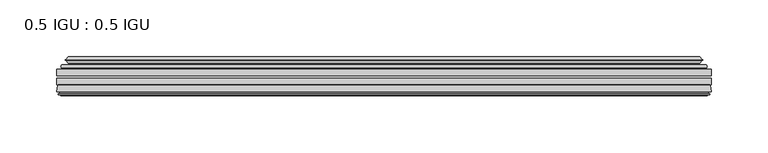
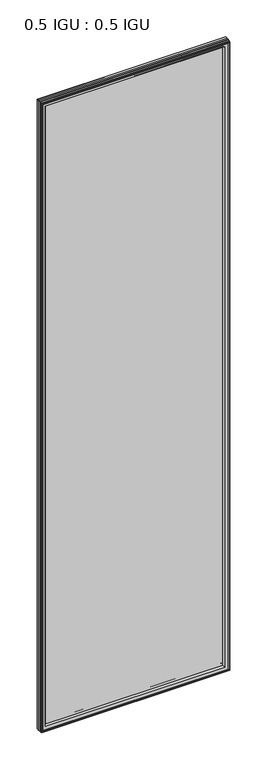
"""IFC4 building model written with IfcOpenShell, lengths in millimetres: plate geometry, 0.5 IGU : 0.5 IGU."""

from ifc_helpers import new_model, si_unit, frame, origin, place, context, project, spatial, polyline, ellipse_curve, outline, extrude, source, transform, mapped, element, save
from ifc_brep_helpers import plane_surface, cylinder_surface, revolved_surface, advanced_brep


def plate_0_5_igu_0_5_igu_9a98f854(model_context):
    return source(origin(), model_context, "Body", "SolidModel", [
        extrude(outline(polyline([(287.351675, -55.82285), (287.351675, -61.48705), (-287.3375, -61.48705), (-287.3375, -55.82285), (287.351675, -55.82285)])), frame((0.0, 0.0, -14.2875), z_axis=(0.0, 0.0, 1.0), x_axis=(1.0, 0.0, 0.0)), (0.0, 0.0, 1.0), 2025.6537979),
        extrude(outline(polyline([(-287.3375, -69.05625), (-287.3375, -63.39205), (287.351675, -63.39205), (287.351675, -69.05625), (-287.3375, -69.05625)])), frame((0.0, 0.0, -14.2875), z_axis=(0.0, 0.0, 1.0), x_axis=(1.0, 0.0, 0.0)), (0.0, 0.0, 1.0), 2025.6537979),
        advanced_brep(
        [(-283.2349626, -54.3724927, 2007.2599626), (-282.1904378, -51.60645, 2006.2154378), (-282.1904378, -51.60645, -9.1404378), (-283.2349626, -54.3724927, -10.1849626), (-281.598517, -55.82285, 2005.623517), (-281.598517, -55.82285, -8.548517), (-273.05, -45.63745, 1997.075), (-269.4672761, -55.82285, 1993.4922761), (-269.4672761, -55.82285, 3.5827239), (-273.05, -45.63745, 0.0), (-278.2359109, -46.8185491, 2002.2609109), (-278.2359109, -46.8185491, -5.1859109), (-277.4388893, -44.8183085, 2001.4638893), (-277.4388893, -44.8183085, -4.3888893), (-279.7226111, -47.135817, 2003.7476111), (-279.7226111, -47.135817, -6.6726111), (-279.7226111, -47.8489429, 2003.7476111), (-279.7226111, -47.8489429, -6.6726111), (-277.4388893, -50.1664515, 2001.4638893), (-277.4388893, -50.1664515, -4.3888893), (-278.2282501, -48.1854367, 2002.2532501), (-278.2282501, -48.1854367, -5.1782501), (-275.7044379, -48.027045, 1999.7294379), (-275.7044379, -48.027045, -2.6544379), (-274.6786217, -48.7147544, 1998.7036217), (-274.6786217, -48.7147544, -1.6286217), (-274.7970288, -50.1092231, 1998.8220288), (-274.7970288, -50.1092231, -1.7470288), (-275.3987748, -51.60645, 1999.4237748), (-275.3987748, -51.60645, -2.3487748), (282.1904378, -51.60645, -9.1404378), (283.2349626, -54.3724927, -10.1849626), (281.598517, -55.82285, -8.548517), (269.4672761, -55.82285, 3.5827239), (273.05, -45.63745, 0.0), (278.2359109, -46.8185491, -5.1859109), (277.4388893, -44.8183085, -4.3888893), (279.7226111, -47.135817, -6.6726111), (279.7226111, -47.8489429, -6.6726111), (277.4388893, -50.1664515, -4.3888893), (278.2282501, -48.1854367, -5.1782501), (275.7044379, -48.027045, -2.6544379), (274.6786217, -48.7147544, -1.6286217), (274.7970288, -50.1092231, -1.7470288), (275.3987748, -51.60645, -2.3487748), (282.1904378, -51.60645, 2006.2154378), (283.2349626, -54.3724927, 2007.2599626), (281.598517, -55.82285, 2005.623517), (269.4672761, -55.82285, 1993.4922761), (273.05, -45.63745, 1997.075), (278.2359109, -46.8185491, 2002.2609109), (277.4388893, -44.8183085, 2001.4638893), (279.7226111, -47.135817, 2003.7476111), (279.7226111, -47.8489429, 2003.7476111), (277.4388893, -50.1664515, 2001.4638893), (278.2282501, -48.1854367, 2002.2532501), (275.7044379, -48.027045, 1999.7294379), (274.6786217, -48.7147544, 1998.7036217), (274.7970288, -50.1092231, 1998.8220288), (275.3987748, -51.60645, 1999.4237748)],
        [
            (0, 1, ellipse_curve(frame((-282.1820703, -53.1898501, 2006.2070703), z_axis=(-0.7071067811865475, 0.0, -0.7071067811865475), x_axis=(-0.7071067811865474, 0.0, 0.7071067811865476)), 2.2392971, 1.5834222)),
            (1, 2),
            (2, 3, ellipse_curve(frame((-282.1820703, -53.1898501, -9.1320703), z_axis=(-0.7071067811865475, 0.0, 0.7071067811865475), x_axis=(0.7071067811865474, 0.0, 0.7071067811865476)), 2.2392971, 1.5834222)),
            (3, 0),
            (4, 0),
            (3, 5),
            (5, 4),
            (6, 7, ellipse_curve(frame((-240.770246, -40.0058297, 1964.795246), z_axis=(0.7071067811865475, 0.0, 0.7071067811865475), x_axis=(0.7071067811865474, 0.0, -0.7071067811865476)), 46.3399971, 32.7673262)),
            (7, 8),
            (8, 9, ellipse_curve(frame((-240.770246, -40.0058297, 32.279754), z_axis=(0.7071067811865475, 0.0, -0.7071067811865475), x_axis=(-0.7071067811865474, 0.0, -0.7071067811865476)), 46.3399971, 32.7673262)),
            (9, 6),
            (10, 6),
            (9, 11),
            (11, 10),
            (12, 10),
            (11, 13),
            (13, 12),
            (14, 12),
            (13, 15),
            (15, 14),
            (16, 14, ellipse_curve(frame((-279.3607729, -47.49238, 2003.3857729), z_axis=(-0.7071067811865475, 0.0, -0.7071067811865475), x_axis=(-0.7071067811865474, 0.0, 0.7071067811865476)), 0.7184205, 0.508)),
            (15, 17, ellipse_curve(frame((-279.3607729, -47.49238, -6.3107729), z_axis=(-0.7071067811865475, 0.0, 0.7071067811865475), x_axis=(0.7071067811865474, 0.0, 0.7071067811865476)), 0.7184205, 0.508)),
            (17, 16),
            (18, 16),
            (17, 19),
            (19, 18),
            (20, 18),
            (19, 21),
            (21, 20),
            (22, 20),
            (21, 23),
            (23, 22),
            (24, 22, ellipse_curve(frame((-275.6408, -49.04105, 1999.6658), z_axis=(0.7071067811865475, 0.0, 0.7071067811865475), x_axis=(0.7071067811865474, 0.0, -0.7071067811865476)), 1.436841, 1.016)),
            (23, 25, ellipse_curve(frame((-275.6408, -49.04105, -2.5908), z_axis=(0.7071067811865475, 0.0, -0.7071067811865475), x_axis=(-0.7071067811865474, 0.0, -0.7071067811865476)), 1.436841, 1.016)),
            (25, 24),
            (26, 24, ellipse_curve(frame((-277.0124, -49.21885, 2001.0374), z_axis=(0.7071067811865475, 0.0, 0.7071067811865475), x_axis=(0.7071067811865474, 0.0, -0.7071067811865476)), 3.3765763, 2.3876)),
            (25, 27, ellipse_curve(frame((-277.0124, -49.21885, -3.9624), z_axis=(0.7071067811865475, 0.0, -0.7071067811865475), x_axis=(-0.7071067811865474, 0.0, -0.7071067811865476)), 3.3765763, 2.3876)),
            (27, 26),
            (28, 26),
            (27, 29),
            (29, 28),
            (2, 30),
            (30, 31, ellipse_curve(frame((282.1820703, -53.1898501, -9.1320703), z_axis=(-0.7071067811865475, 0.0, -0.7071067811865475), x_axis=(-0.7071067811865476, 0.0, 0.7071067811865474)), 2.2392971, 1.5834222)),
            (31, 3),
            (31, 32),
            (32, 5),
            (8, 33),
            (33, 34, ellipse_curve(frame((240.770246, -40.0058297, 32.279754), z_axis=(0.7071067811865475, 0.0, 0.7071067811865475), x_axis=(0.7071067811865476, 0.0, -0.7071067811865474)), 46.3399971, 32.7673262)),
            (34, 9),
            (34, 35),
            (35, 11),
            (35, 36),
            (36, 13),
            (36, 37),
            (37, 15),
            (37, 38, ellipse_curve(frame((279.3607729, -47.49238, -6.3107729), z_axis=(-0.7071067811865475, 0.0, -0.7071067811865475), x_axis=(-0.7071067811865476, 0.0, 0.7071067811865474)), 0.7184205, 0.508)),
            (38, 17),
            (38, 39),
            (39, 19),
            (39, 40),
            (40, 21),
            (40, 41),
            (41, 23),
            (41, 42, ellipse_curve(frame((275.6408, -49.04105, -2.5908), z_axis=(0.7071067811865475, 0.0, 0.7071067811865475), x_axis=(0.7071067811865476, 0.0, -0.7071067811865474)), 1.436841, 1.016)),
            (42, 25),
            (42, 43, ellipse_curve(frame((277.0124, -49.21885, -3.9624), z_axis=(0.7071067811865475, 0.0, 0.7071067811865475), x_axis=(0.7071067811865476, 0.0, -0.7071067811865474)), 3.3765763, 2.3876)),
            (43, 27),
            (43, 44),
            (44, 29),
            (30, 45),
            (45, 46, ellipse_curve(frame((282.1820703, -53.1898501, 2006.2070703), z_axis=(0.7071067811865475, 0.0, -0.7071067811865475), x_axis=(-0.7071067811865474, 0.0, -0.7071067811865476)), 2.2392971, 1.5834222)),
            (46, 31),
            (46, 47),
            (47, 32),
            (33, 48),
            (48, 49, ellipse_curve(frame((240.770246, -40.0058297, 1964.795246), z_axis=(-0.7071067811865475, 0.0, 0.7071067811865475), x_axis=(0.7071067811865474, 0.0, 0.7071067811865476)), 46.3399971, 32.7673262)),
            (49, 34),
            (49, 50),
            (50, 35),
            (50, 51),
            (51, 36),
            (51, 52),
            (52, 37),
            (52, 53, ellipse_curve(frame((279.3607729, -47.49238, 2003.3857729), z_axis=(0.7071067811865475, 0.0, -0.7071067811865475), x_axis=(-0.7071067811865474, 0.0, -0.7071067811865476)), 0.7184205, 0.508)),
            (53, 38),
            (53, 54),
            (54, 39),
            (54, 55),
            (55, 40),
            (55, 56),
            (56, 41),
            (56, 57, ellipse_curve(frame((275.6408, -49.04105, 1999.6658), z_axis=(-0.7071067811865475, 0.0, 0.7071067811865475), x_axis=(0.7071067811865474, 0.0, 0.7071067811865476)), 1.436841, 1.016)),
            (57, 42),
            (57, 58, ellipse_curve(frame((277.0124, -49.21885, 2001.0374), z_axis=(-0.7071067811865475, 0.0, 0.7071067811865475), x_axis=(0.7071067811865474, 0.0, 0.7071067811865476)), 3.3765763, 2.3876)),
            (58, 43),
            (58, 59),
            (59, 44),
            (45, 1),
            (0, 46),
            (4, 47),
            (7, 48),
            (6, 49),
            (10, 50),
            (12, 51),
            (14, 52),
            (16, 53),
            (18, 54),
            (20, 55),
            (22, 56),
            (24, 57),
            (26, 58),
            (28, 59),
        ],
        [
            cylinder_surface(frame((-282.1820703, -53.1898501, 2028.825), z_axis=(0.0, 0.0, 1.0), x_axis=(-1.0, 0.0, 0.0)), 1.5834222),
            plane_surface(frame((-283.2349626, -54.3724927, 2007.2599626), z_axis=(-0.6632745773184306, -0.7483761320907135, 0.0), x_axis=(0.0, 0.0, -1.0))),
            revolved_surface(polyline([(-273.5375722, -40.0058297, -0.48757218957507575), (-273.5375722, -40.0058297, 1997.562572189575)]), (-240.770246, -40.0058297, 2028.825), (0.0, 0.0, -1.0)),
            plane_surface(frame((-273.05, -45.63745, 1997.075), z_axis=(-0.2220649844278743, 0.975031867525902, 0.0), x_axis=(0.0, 0.0, -1.0))),
            plane_surface(frame((-278.2359109, -46.8185491, 2002.2609109), z_axis=(0.9289682685630282, -0.370159365683228, 0.0), x_axis=(0.0, 0.0, -1.0))),
            plane_surface(frame((-277.4388893, -44.8183085, 2001.4638893), z_axis=(-0.7122798501733507, 0.7018955869907071, 0.0), x_axis=(0.0, 0.0, -1.0))),
            cylinder_surface(frame((-279.3607729, -47.49238, 2028.825), z_axis=(0.0, 0.0, 1.0), x_axis=(-1.0, 0.0, 0.0)), 0.508),
            plane_surface(frame((-279.7226111, -47.8489429, 2003.7476111), z_axis=(-0.7122798501732925, -0.701895586990766, 0.0), x_axis=(0.0, 0.0, -1.0))),
            plane_surface(frame((-277.4388893, -50.1664515, 2001.4638893), z_axis=(0.9289682685628707, 0.3701593656836228, 0.0), x_axis=(0.0, 0.0, -1.0))),
            plane_surface(frame((-278.2282501, -48.1854367, 2002.2532501), z_axis=(0.0626357011928498, -0.9980364567169279, 0.0), x_axis=(0.0, 0.0, -1.0))),
            revolved_surface(polyline([(-276.65680000000003, -49.04105, -3.6068000145867245), (-276.65680000000003, -49.04105, 2000.6818000145868)]), (-275.6408, -49.04105, 2028.825), (0.0, 0.0, -1.0)),
            revolved_surface(polyline([(-279.40000000000003, -49.21885, -6.3499999989237494), (-279.40000000000003, -49.21885, 2003.4249999989238)]), (-277.0124, -49.21885, 2028.825), (0.0, 0.0, -1.0)),
            plane_surface(frame((-274.7970288, -50.1092231, 1998.8220288), z_axis=(-0.9278652925428184, 0.3729155385532094, 0.0), x_axis=(0.0, 0.0, -1.0))),
            cylinder_surface(frame((-304.8, -53.1898501, -9.1320703), z_axis=(-1.0, 0.0, 0.0), x_axis=(0.0, 0.0, -1.0)), 1.5834222),
            plane_surface(frame((-283.2349626, -54.3724927, -10.1849626), z_axis=(0.0, -0.7483761320907157, -0.6632745773184283), x_axis=(1.0, 0.0, 0.0))),
            revolved_surface(polyline([(273.537572189575, -40.0058297, -0.48757220000000245), (-273.5375721895749, -40.0058297, -0.48757220000000245)]), (-304.8, -40.0058297, 32.279754), (1.0, 0.0, 0.0)),
            plane_surface(frame((-273.05, -45.63745, 0.0), z_axis=(0.0, 0.9750318675259013, -0.22206498442787745), x_axis=(1.0, 0.0, 0.0))),
            plane_surface(frame((-278.2359109, -46.8185491, -5.1859109), z_axis=(0.0, -0.370159365683225, 0.9289682685630294), x_axis=(1.0, 0.0, 0.0))),
            plane_surface(frame((-277.4388893, -44.8183085, -4.3888893), z_axis=(0.0, 0.7018955869907048, -0.7122798501733529), x_axis=(1.0, 0.0, 0.0))),
            cylinder_surface(frame((-304.8, -47.49238, -6.3107729), z_axis=(-1.0, 0.0, 0.0), x_axis=(0.0, 0.0, -1.0)), 0.508),
            plane_surface(frame((-279.7226111, -47.8489429, -6.6726111), z_axis=(0.0, -0.7018955869907684, -0.7122798501732903), x_axis=(1.0, 0.0, 0.0))),
            plane_surface(frame((-277.4388893, -50.1664515, -4.3888893), z_axis=(0.0, 0.37015936568362584, 0.9289682685628696), x_axis=(1.0, 0.0, 0.0))),
            plane_surface(frame((-278.2282501, -48.1854367, -5.1782501), z_axis=(0.0, -0.9980364567169276, 0.06263570119285301), x_axis=(1.0, 0.0, 0.0))),
            revolved_surface(polyline([(276.65680001458696, -49.04105, -3.6068000000000002), (-276.65680001458685, -49.04105, -3.6068000000000002)]), (-304.8, -49.04105, -2.5908), (1.0, 0.0, 0.0)),
            revolved_surface(polyline([(279.39999999892376, -49.21885, -6.35), (-279.3999999989238, -49.21885, -6.35)]), (-304.8, -49.21885, -3.9624), (1.0, 0.0, 0.0)),
            plane_surface(frame((-274.7970288, -50.1092231, -1.7470288), z_axis=(0.0, 0.3729155385532064, -0.9278652925428196), x_axis=(1.0, 0.0, 0.0))),
            cylinder_surface(frame((282.1820703, -53.1898501, -31.75), z_axis=(0.0, 0.0, -1.0), x_axis=(1.0, 0.0, 0.0)), 1.5834222),
            plane_surface(frame((283.2349626, -54.3724927, -10.1849626), z_axis=(0.6632745773184259, -0.7483761320907178, 0.0), x_axis=(0.0, 0.0, 1.0))),
            revolved_surface(polyline([(273.5375722, -40.0058297, 1997.562572189575), (273.5375722, -40.0058297, -0.48757218957494075)]), (240.770246, -40.0058297, -31.75), (0.0, 0.0, 1.0)),
            plane_surface(frame((273.05, -45.63745, 0.0), z_axis=(0.22206498442788056, 0.9750318675259005, 0.0), x_axis=(0.0, 0.0, 1.0))),
            plane_surface(frame((278.2359109, -46.8185491, -5.1859109), z_axis=(-0.9289682685630306, -0.370159365683222, 0.0), x_axis=(0.0, 0.0, 1.0))),
            plane_surface(frame((277.4388893, -44.8183085, -4.3888893), z_axis=(0.7122798501733552, 0.7018955869907024, 0.0), x_axis=(0.0, 0.0, 1.0))),
            cylinder_surface(frame((279.3607729, -47.49238, -31.75), z_axis=(0.0, 0.0, -1.0), x_axis=(1.0, 0.0, 0.0)), 0.508),
            plane_surface(frame((279.7226111, -47.8489429, -6.6726111), z_axis=(0.712279850173288, -0.7018955869907706, 0.0), x_axis=(0.0, 0.0, 1.0))),
            plane_surface(frame((277.4388893, -50.1664515, -4.3888893), z_axis=(-0.9289682685628684, 0.37015936568362884, 0.0), x_axis=(0.0, 0.0, 1.0))),
            plane_surface(frame((278.2282501, -48.1854367, -5.1782501), z_axis=(-0.06263570119285623, -0.9980364567169274, 0.0), x_axis=(0.0, 0.0, 1.0))),
            revolved_surface(polyline([(276.65680000000003, -49.04105, 2000.6818000145868), (276.65680000000003, -49.04105, -3.606800014586863)]), (275.6408, -49.04105, -31.75), (0.0, 0.0, 1.0)),
            revolved_surface(polyline([(279.40000000000003, -49.21885, 2003.4249999989238), (279.40000000000003, -49.21885, -6.349999998923781)]), (277.0124, -49.21885, -31.75), (0.0, 0.0, 1.0)),
            plane_surface(frame((274.7970288, -50.1092231, -1.7470288), z_axis=(0.9278652925428208, 0.3729155385532034, 0.0), x_axis=(0.0, 0.0, 1.0))),
            cylinder_surface(frame((304.8, -53.1898501, 2006.2070703), z_axis=(1.0, 0.0, 0.0), x_axis=(0.0, 0.0, 1.0)), 1.5834222),
            plane_surface(frame((283.2349626, -54.3724927, 2007.2599626), z_axis=(0.0, -0.7483761320907157, 0.6632745773184283), x_axis=(-1.0, 0.0, 0.0))),
            plane_surface(frame((281.598517, -55.82285, 2005.623517), z_axis=(0.0, -1.0, 0.0), x_axis=(-1.0, 0.0, 0.0))),
            revolved_surface(polyline([(-273.537572189575, -40.0058297, 1997.5625722), (273.5375721895749, -40.0058297, 1997.5625722)]), (304.8, -40.0058297, 1964.795246), (-1.0, 0.0, 0.0)),
            plane_surface(frame((273.05, -45.63745, 1997.075), z_axis=(0.0, 0.9750318675259012, 0.22206498442787742), x_axis=(-1.0, 0.0, 0.0))),
            plane_surface(frame((278.2359109, -46.8185491, 2002.2609109), z_axis=(0.0, -0.370159365683225, -0.9289682685630294), x_axis=(-1.0, 0.0, 0.0))),
            plane_surface(frame((277.4388893, -44.8183085, 2001.4638893), z_axis=(0.0, 0.7018955869907048, 0.7122798501733529), x_axis=(-1.0, 0.0, 0.0))),
            cylinder_surface(frame((304.8, -47.49238, 2003.3857729), z_axis=(1.0, 0.0, 0.0), x_axis=(0.0, 0.0, 1.0)), 0.508),
            plane_surface(frame((279.7226111, -47.8489429, 2003.7476111), z_axis=(0.0, -0.7018955869907684, 0.7122798501732903), x_axis=(-1.0, 0.0, 0.0))),
            plane_surface(frame((277.4388893, -50.1664515, 2001.4638893), z_axis=(0.0, 0.37015936568362584, -0.9289682685628696), x_axis=(-1.0, 0.0, 0.0))),
            plane_surface(frame((278.2282501, -48.1854367, 2002.2532501), z_axis=(0.0, -0.9980364567169276, -0.06263570119285301), x_axis=(-1.0, 0.0, 0.0))),
            revolved_surface(polyline([(-276.65680001458696, -49.04105, 2000.6818), (276.65680001458685, -49.04105, 2000.6818)]), (304.8, -49.04105, 1999.6658), (-1.0, 0.0, 0.0)),
            revolved_surface(polyline([(-279.39999999892376, -49.21885, 2003.425), (279.3999999989238, -49.21885, 2003.425)]), (304.8, -49.21885, 2001.0374), (-1.0, 0.0, 0.0)),
            plane_surface(frame((274.7970288, -50.1092231, 1998.8220288), z_axis=(0.0, 0.3729155385532064, 0.9278652925428196), x_axis=(-1.0, 0.0, 0.0))),
            plane_surface(frame((275.3987748, -51.60645, 1999.4237748), z_axis=(0.0, 1.0, 0.0), x_axis=(-1.0, 0.0, 0.0))),
        ],
        [
            (0, [[1, 2, 3, 4]]),
            (1, [[5, -4, 6, 7]]),
            (2, [[8, 9, 10, 11]]),
            (3, [[12, -11, 13, 14]]),
            (4, [[15, -14, 16, 17]]),
            (5, [[18, -17, 19, 20]]),
            (6, [[21, -20, 22, 23]]),
            (7, [[24, -23, 25, 26]]),
            (8, [[27, -26, 28, 29]]),
            (9, [[30, -29, 31, 32]]),
            (10, [[33, -32, 34, 35]]),
            (11, [[36, -35, 37, 38]]),
            (12, [[39, -38, 40, 41]]),
            (13, [[-3, 42, 43, 44]]),
            (14, [[-6, -44, 45, 46]]),
            (15, [[-10, 47, 48, 49]]),
            (16, [[-13, -49, 50, 51]]),
            (17, [[-16, -51, 52, 53]]),
            (18, [[-19, -53, 54, 55]]),
            (19, [[-22, -55, 56, 57]]),
            (20, [[-25, -57, 58, 59]]),
            (21, [[-28, -59, 60, 61]]),
            (22, [[-31, -61, 62, 63]]),
            (23, [[-34, -63, 64, 65]]),
            (24, [[-37, -65, 66, 67]]),
            (25, [[-40, -67, 68, 69]]),
            (26, [[-43, 70, 71, 72]]),
            (27, [[-45, -72, 73, 74]]),
            (28, [[-48, 75, 76, 77]]),
            (29, [[-50, -77, 78, 79]]),
            (30, [[-52, -79, 80, 81]]),
            (31, [[-54, -81, 82, 83]]),
            (32, [[-56, -83, 84, 85]]),
            (33, [[-58, -85, 86, 87]]),
            (34, [[-60, -87, 88, 89]]),
            (35, [[-62, -89, 90, 91]]),
            (36, [[-64, -91, 92, 93]]),
            (37, [[-66, -93, 94, 95]]),
            (38, [[-68, -95, 96, 97]]),
            (39, [[-71, 98, -1, 99]]),
            (40, [[-73, -99, -5, 100]]),
            (41, [[-46, -74, -100, -7], [101, -75, -47, -9]]),
            (42, [[-76, -101, -8, 102]]),
            (43, [[-78, -102, -12, 103]]),
            (44, [[-80, -103, -15, 104]]),
            (45, [[-82, -104, -18, 105]]),
            (46, [[-84, -105, -21, 106]]),
            (47, [[-86, -106, -24, 107]]),
            (48, [[-88, -107, -27, 108]]),
            (49, [[-90, -108, -30, 109]]),
            (50, [[-92, -109, -33, 110]]),
            (51, [[-94, -110, -36, 111]]),
            (52, [[-96, -111, -39, 112]]),
            (53, [[-98, -70, -42, -2], [-69, -97, -112, -41]]),
        ],
    ),
        advanced_brep(
        [(-287.3502, -75.40625, 2011.3752), (-286.6554162, -69.7476901, 2010.6804162), (-286.6554162, -69.7476901, -13.6054162), (-287.3502, -75.40625, -14.3002), (-284.9626, -77.3973143, 2008.9876), (-285.4198, -75.40625, 2009.4448), (-285.4198, -75.40625, -12.3698), (-284.9626, -77.3973143, -11.9126), (-285.9639619, -77.1290001, 2009.9889619), (-285.9639619, -77.1290001, -12.9139619), (-286.2072, -78.0367772, 2010.2322), (-286.2072, -78.0367772, -13.1572), (-284.1752, -78.58125, 2008.2002), (-284.1752, -78.58125, -11.1252), (-282.1432, -78.0367772, 2006.1682), (-282.1432, -78.0367772, -9.0932), (-282.3864381, -77.1290001, 2006.4114381), (-282.3864381, -77.1290001, -9.3364381), (-283.3878, -77.3973143, 2007.4128), (-283.3878, -77.3973143, -10.3378), (-282.9306, -75.40625, 2006.9556), (-282.9306, -75.40625, -9.8806), (-269.4605369, -69.05625, 1993.4855369), (-273.05, -75.40625, 1997.075), (-273.05, -75.40625, 0.0), (-269.4605369, -69.05625, 3.5894631), (-285.8738854, -69.05625, 2009.8988854), (-285.8738854, -69.05625, -12.8238854), (286.6554162, -69.7476901, -13.6054162), (287.3502, -75.40625, -14.3002), (285.4198, -75.40625, -12.3698), (284.9626, -77.3973143, -11.9126), (285.9639619, -77.1290001, -12.9139619), (286.2072, -78.0367772, -13.1572), (284.1752, -78.58125, -11.1252), (282.1432, -78.0367772, -9.0932), (282.3864381, -77.1290001, -9.3364381), (283.3878, -77.3973143, -10.3378), (282.9306, -75.40625, -9.8806), (273.05, -75.40625, 0.0), (269.4605369, -69.05625, 3.5894631), (285.8738854, -69.05625, -12.8238854), (286.6554162, -69.7476901, 2010.6804162), (287.3502, -75.40625, 2011.3752), (285.4198, -75.40625, 2009.4448), (284.9626, -77.3973143, 2008.9876), (285.9639619, -77.1290001, 2009.9889619), (286.2072, -78.0367772, 2010.2322), (284.1752, -78.58125, 2008.2002), (282.1432, -78.0367772, 2006.1682), (282.3864381, -77.1290001, 2006.4114381), (283.3878, -77.3973143, 2007.4128), (282.9306, -75.40625, 2006.9556), (273.05, -75.40625, 1997.075), (269.4605369, -69.05625, 1993.4855369), (285.8738854, -69.05625, 2009.8988854)],
        [
            (0, 1),
            (1, 2),
            (2, 3),
            (3, 0),
            (4, 5),
            (5, 6),
            (6, 7),
            (7, 4),
            (8, 4),
            (7, 9),
            (9, 8),
            (10, 8),
            (9, 11),
            (11, 10),
            (12, 10),
            (11, 13),
            (13, 12),
            (14, 12),
            (13, 15),
            (15, 14),
            (16, 14),
            (15, 17),
            (17, 16),
            (18, 16),
            (17, 19),
            (19, 18),
            (20, 18),
            (19, 21),
            (21, 20),
            (22, 23, ellipse_curve(frame((-264.5737114, -76.0081323, 1988.5987114), z_axis=(0.7071067811865475, 0.0, 0.7071067811865475), x_axis=(0.7071067811865474, 0.0, -0.7071067811865476)), 12.0174649, 8.4976309)),
            (23, 24),
            (24, 25, ellipse_curve(frame((-264.5737114, -76.0081323, 8.4762886), z_axis=(0.7071067811865475, 0.0, -0.7071067811865475), x_axis=(-0.7071067811865474, 0.0, -0.7071067811865476)), 12.0174649, 8.4976309)),
            (25, 22),
            (1, 26, ellipse_curve(frame((-285.8738854, -69.84365, 2009.8988854), z_axis=(-0.7071067811865475, 0.0, -0.7071067811865475), x_axis=(-0.7071067811865474, 0.0, 0.7071067811865476)), 1.1135518, 0.7874)),
            (26, 27),
            (27, 2, ellipse_curve(frame((-285.8738854, -69.84365, -12.8238854), z_axis=(-0.7071067811865475, 0.0, 0.7071067811865475), x_axis=(0.7071067811865474, 0.0, 0.7071067811865476)), 1.1135518, 0.7874)),
            (2, 28),
            (28, 29),
            (29, 3),
            (6, 30),
            (30, 31),
            (31, 7),
            (31, 32),
            (32, 9),
            (32, 33),
            (33, 11),
            (33, 34),
            (34, 13),
            (34, 35),
            (35, 15),
            (35, 36),
            (36, 17),
            (36, 37),
            (37, 19),
            (37, 38),
            (38, 21),
            (24, 39),
            (39, 40, ellipse_curve(frame((264.5737114, -76.0081323, 8.4762886), z_axis=(0.7071067811865475, 0.0, 0.7071067811865475), x_axis=(0.7071067811865476, 0.0, -0.7071067811865474)), 12.0174649, 8.4976309)),
            (40, 25),
            (27, 41),
            (41, 28, ellipse_curve(frame((285.8738854, -69.84365, -12.8238854), z_axis=(-0.7071067811865475, 0.0, -0.7071067811865475), x_axis=(-0.7071067811865476, 0.0, 0.7071067811865474)), 1.1135518, 0.7874)),
            (28, 42),
            (42, 43),
            (43, 29),
            (30, 44),
            (44, 45),
            (45, 31),
            (45, 46),
            (46, 32),
            (46, 47),
            (47, 33),
            (47, 48),
            (48, 34),
            (48, 49),
            (49, 35),
            (49, 50),
            (50, 36),
            (50, 51),
            (51, 37),
            (51, 52),
            (52, 38),
            (39, 53),
            (53, 54, ellipse_curve(frame((264.5737114, -76.0081323, 1988.5987114), z_axis=(-0.7071067811865475, 0.0, 0.7071067811865475), x_axis=(0.7071067811865474, 0.0, 0.7071067811865476)), 12.0174649, 8.4976309)),
            (54, 40),
            (41, 55),
            (55, 42, ellipse_curve(frame((285.8738854, -69.84365, 2009.8988854), z_axis=(0.7071067811865475, 0.0, -0.7071067811865475), x_axis=(-0.7071067811865474, 0.0, -0.7071067811865476)), 1.1135518, 0.7874)),
            (42, 1),
            (0, 43),
            (5, 44),
            (4, 45),
            (8, 46),
            (10, 47),
            (12, 48),
            (14, 49),
            (16, 50),
            (18, 51),
            (20, 52),
            (23, 53),
            (22, 54),
            (26, 55),
        ],
        [
            plane_surface(frame((-286.6554162, -69.7476901, 2010.6804162), z_axis=(-0.992546151641325, 0.12186934340512404, 0.0), x_axis=(0.0, 0.0, -1.0))),
            plane_surface(frame((-285.4198, -75.40625, 2009.4448), z_axis=(-0.9746347637895902, -0.223801423616584, 0.0), x_axis=(0.0, 0.0, -1.0))),
            plane_surface(frame((-284.9626, -77.3973143, 2008.9876), z_axis=(0.2588190451026526, 0.965925826289033, 0.0), x_axis=(0.0, 0.0, -1.0))),
            plane_surface(frame((-285.9639619, -77.1290001, 2009.9889619), z_axis=(-0.9659258262890449, 0.2588190451026083, 0.0), x_axis=(0.0, 0.0, -1.0))),
            plane_surface(frame((-286.2072, -78.0367772, 2010.2322), z_axis=(-0.2588190451024403, -0.96592582628909, 0.0), x_axis=(0.0, 0.0, -1.0))),
            plane_surface(frame((-284.1752, -78.58125, 2008.2002), z_axis=(0.2588190451025434, -0.9659258262890623, 0.0), x_axis=(0.0, 0.0, -1.0))),
            plane_surface(frame((-282.1432, -78.0367772, 2006.1682), z_axis=(0.9659258262891713, 0.25881904510213655, 0.0), x_axis=(0.0, 0.0, -1.0))),
            plane_surface(frame((-282.3864381, -77.1290001, 2006.4114381), z_axis=(-0.25881904510234177, 0.9659258262891163, 0.0), x_axis=(0.0, 0.0, -1.0))),
            plane_surface(frame((-283.3878, -77.3973143, 2007.4128), z_axis=(0.9746347637895849, -0.2238014236166074, 0.0), x_axis=(0.0, 0.0, -1.0))),
            revolved_surface(polyline([(-273.07134229999997, -76.0081323, -0.021342323461112755), (-273.07134229999997, -76.0081323, 1997.0963423234612)]), (-264.5737114, -76.0081323, 2028.825), (0.0, 0.0, -1.0)),
            cylinder_surface(frame((-285.8738854, -69.84365, 2028.825), z_axis=(0.0, 0.0, 1.0), x_axis=(-1.0, 0.0, 0.0)), 0.7874),
            plane_surface(frame((-286.6554162, -69.7476901, -13.6054162), z_axis=(0.0, 0.12186934340512084, -0.9925461516413254), x_axis=(1.0, 0.0, 0.0))),
            plane_surface(frame((-285.4198, -75.40625, -12.3698), z_axis=(0.0, -0.22380142361658714, -0.9746347637895896), x_axis=(1.0, 0.0, 0.0))),
            plane_surface(frame((-284.9626, -77.3973143, -11.9126), z_axis=(0.0, 0.9659258262890339, 0.25881904510264947), x_axis=(1.0, 0.0, 0.0))),
            plane_surface(frame((-285.9639619, -77.1290001, -12.9139619), z_axis=(0.0, 0.25881904510260517, -0.9659258262890458), x_axis=(1.0, 0.0, 0.0))),
            plane_surface(frame((-286.2072, -78.0367772, -13.1572), z_axis=(0.0, -0.9659258262890907, -0.25881904510243714), x_axis=(1.0, 0.0, 0.0))),
            plane_surface(frame((-284.1752, -78.58125, -11.1252), z_axis=(0.0, -0.9659258262890614, 0.2588190451025465), x_axis=(1.0, 0.0, 0.0))),
            plane_surface(frame((-282.1432, -78.0367772, -9.0932), z_axis=(0.0, 0.25881904510213966, 0.9659258262891705), x_axis=(1.0, 0.0, 0.0))),
            plane_surface(frame((-282.3864381, -77.1290001, -9.3364381), z_axis=(0.0, 0.9659258262891154, -0.2588190451023449), x_axis=(1.0, 0.0, 0.0))),
            plane_surface(frame((-283.3878, -77.3973143, -10.3378), z_axis=(0.0, -0.22380142361660427, 0.9746347637895856), x_axis=(1.0, 0.0, 0.0))),
            revolved_surface(polyline([(273.07134232346135, -76.0081323, -0.02134230000000059), (-273.0713423234613, -76.0081323, -0.02134230000000059)]), (-304.8, -76.0081323, 8.4762886), (1.0, 0.0, 0.0)),
            cylinder_surface(frame((-304.8, -69.84365, -12.8238854), z_axis=(-1.0, 0.0, 0.0), x_axis=(0.0, 0.0, -1.0)), 0.7874),
            plane_surface(frame((286.6554162, -69.7476901, -13.6054162), z_axis=(0.9925461516413258, 0.12186934340511764, 0.0), x_axis=(0.0, 0.0, 1.0))),
            plane_surface(frame((285.4198, -75.40625, -12.3698), z_axis=(0.9746347637895889, -0.22380142361659028, 0.0), x_axis=(0.0, 0.0, 1.0))),
            plane_surface(frame((284.9626, -77.3973143, -11.9126), z_axis=(-0.25881904510264636, 0.9659258262890348, 0.0), x_axis=(0.0, 0.0, 1.0))),
            plane_surface(frame((285.9639619, -77.1290001, -12.9139619), z_axis=(0.9659258262890467, 0.25881904510260206, 0.0), x_axis=(0.0, 0.0, 1.0))),
            plane_surface(frame((286.2072, -78.0367772, -13.1572), z_axis=(0.25881904510243403, -0.9659258262890916, 0.0), x_axis=(0.0, 0.0, 1.0))),
            plane_surface(frame((284.1752, -78.58125, -11.1252), z_axis=(-0.25881904510254966, -0.9659258262890607, 0.0), x_axis=(0.0, 0.0, 1.0))),
            plane_surface(frame((282.1432, -78.0367772, -9.0932), z_axis=(-0.9659258262891696, 0.25881904510214276, 0.0), x_axis=(0.0, 0.0, 1.0))),
            plane_surface(frame((282.3864381, -77.1290001, -9.3364381), z_axis=(0.25881904510234804, 0.9659258262891146, 0.0), x_axis=(0.0, 0.0, 1.0))),
            plane_surface(frame((283.3878, -77.3973143, -10.3378), z_axis=(-0.9746347637895864, -0.22380142361660116, 0.0), x_axis=(0.0, 0.0, 1.0))),
            revolved_surface(polyline([(273.07134229999997, -76.0081323, 1997.0963423234612), (273.07134229999997, -76.0081323, -0.021342323461311707)]), (264.5737114, -76.0081323, -31.75), (0.0, 0.0, 1.0)),
            cylinder_surface(frame((285.8738854, -69.84365, -31.75), z_axis=(0.0, 0.0, -1.0), x_axis=(1.0, 0.0, 0.0)), 0.7874),
            plane_surface(frame((286.6554162, -69.7476901, 2010.6804162), z_axis=(0.0, 0.12186934340512083, 0.9925461516413253), x_axis=(-1.0, 0.0, 0.0))),
            plane_surface(frame((287.3502, -75.40625, 2011.3752), z_axis=(0.0, -1.0, 0.0), x_axis=(-1.0, 0.0, 0.0))),
            plane_surface(frame((285.4198, -75.40625, 2009.4448), z_axis=(0.0, -0.22380142361658714, 0.9746347637895896), x_axis=(-1.0, 0.0, 0.0))),
            plane_surface(frame((284.9626, -77.3973143, 2008.9876), z_axis=(0.0, 0.9659258262890339, -0.25881904510264947), x_axis=(-1.0, 0.0, 0.0))),
            plane_surface(frame((285.9639619, -77.1290001, 2009.9889619), z_axis=(0.0, 0.25881904510260517, 0.9659258262890458), x_axis=(-1.0, 0.0, 0.0))),
            plane_surface(frame((286.2072, -78.0367772, 2010.2322), z_axis=(0.0, -0.9659258262890907, 0.25881904510243714), x_axis=(-1.0, 0.0, 0.0))),
            plane_surface(frame((284.1752, -78.58125, 2008.2002), z_axis=(0.0, -0.9659258262890614, -0.25881904510254655), x_axis=(-1.0, 0.0, 0.0))),
            plane_surface(frame((282.1432, -78.0367772, 2006.1682), z_axis=(0.0, 0.25881904510213966, -0.9659258262891705), x_axis=(-1.0, 0.0, 0.0))),
            plane_surface(frame((282.3864381, -77.1290001, 2006.4114381), z_axis=(0.0, 0.9659258262891155, 0.25881904510234494), x_axis=(-1.0, 0.0, 0.0))),
            plane_surface(frame((283.3878, -77.3973143, 2007.4128), z_axis=(0.0, -0.2238014236166043, -0.9746347637895857), x_axis=(-1.0, 0.0, 0.0))),
            plane_surface(frame((282.9306, -75.40625, 2006.9556), z_axis=(0.0, -1.0, 0.0), x_axis=(-1.0, 0.0, 0.0))),
            revolved_surface(polyline([(-273.07134232346135, -76.0081323, 1997.0963423), (273.0713423234613, -76.0081323, 1997.0963423)]), (304.8, -76.0081323, 1988.5987114), (-1.0, 0.0, 0.0)),
            plane_surface(frame((269.4605369, -69.05625, 1993.4855369), z_axis=(0.0, 1.0, 0.0), x_axis=(-1.0, 0.0, 0.0))),
            cylinder_surface(frame((304.8, -69.84365, 2009.8988854), z_axis=(1.0, 0.0, 0.0), x_axis=(0.0, 0.0, 1.0)), 0.7874),
        ],
        [
            (0, [[1, 2, 3, 4]]),
            (1, [[5, 6, 7, 8]]),
            (2, [[9, -8, 10, 11]]),
            (3, [[12, -11, 13, 14]]),
            (4, [[15, -14, 16, 17]]),
            (5, [[18, -17, 19, 20]]),
            (6, [[21, -20, 22, 23]]),
            (7, [[24, -23, 25, 26]]),
            (8, [[27, -26, 28, 29]]),
            (9, [[30, 31, 32, 33]]),
            (10, [[34, 35, 36, -2]]),
            (11, [[-3, 37, 38, 39]]),
            (12, [[-7, 40, 41, 42]]),
            (13, [[-10, -42, 43, 44]]),
            (14, [[-13, -44, 45, 46]]),
            (15, [[-16, -46, 47, 48]]),
            (16, [[-19, -48, 49, 50]]),
            (17, [[-22, -50, 51, 52]]),
            (18, [[-25, -52, 53, 54]]),
            (19, [[-28, -54, 55, 56]]),
            (20, [[-32, 57, 58, 59]]),
            (21, [[-36, 60, 61, -37]]),
            (22, [[-38, 62, 63, 64]]),
            (23, [[-41, 65, 66, 67]]),
            (24, [[-43, -67, 68, 69]]),
            (25, [[-45, -69, 70, 71]]),
            (26, [[-47, -71, 72, 73]]),
            (27, [[-49, -73, 74, 75]]),
            (28, [[-51, -75, 76, 77]]),
            (29, [[-53, -77, 78, 79]]),
            (30, [[-55, -79, 80, 81]]),
            (31, [[-58, 82, 83, 84]]),
            (32, [[-61, 85, 86, -62]]),
            (33, [[-63, 87, -1, 88]]),
            (34, [[-39, -64, -88, -4], [89, -65, -40, -6]]),
            (35, [[-66, -89, -5, 90]]),
            (36, [[-68, -90, -9, 91]]),
            (37, [[-70, -91, -12, 92]]),
            (38, [[-72, -92, -15, 93]]),
            (39, [[-74, -93, -18, 94]]),
            (40, [[-76, -94, -21, 95]]),
            (41, [[-78, -95, -24, 96]]),
            (42, [[-80, -96, -27, 97]]),
            (43, [[-56, -81, -97, -29], [98, -82, -57, -31]]),
            (44, [[-83, -98, -30, 99]]),
            (45, [[100, -85, -60, -35], [-59, -84, -99, -33]]),
            (46, [[-86, -100, -34, -87]]),
        ],
    ),
    ])


if __name__ == "__main__":
    model = new_model("IFC4")
    model_context = context("Model", 3, world=origin())
    ifc_project = project(units=[si_unit("LENGTHUNIT", "METRE", prefix="MILLI")], contexts=[model_context])
    site = spatial("IfcSite", under=ifc_project)
    building = spatial("IfcBuilding", under=site)
    placement = place(None, origin())
    plate_0_5_igu_0_5_igu_shape = plate_0_5_igu_0_5_igu_9a98f854(model_context)
    element("IfcPlate", 1, ObjectType="0.5 IGU : 0.5 IGU", at=placement, inside=building, context=model_context, shape_type="MappedRepresentation", body=[
        mapped(plate_0_5_igu_0_5_igu_shape, transform((0.0, 0.0, 0.0), x_axis=(1.0, 0.0, 0.0), y_axis=(0.0, 1.0, 0.0), z_axis=(0.0, 0.0, 1.0))),
    ])
    save(model, "model.ifc")
